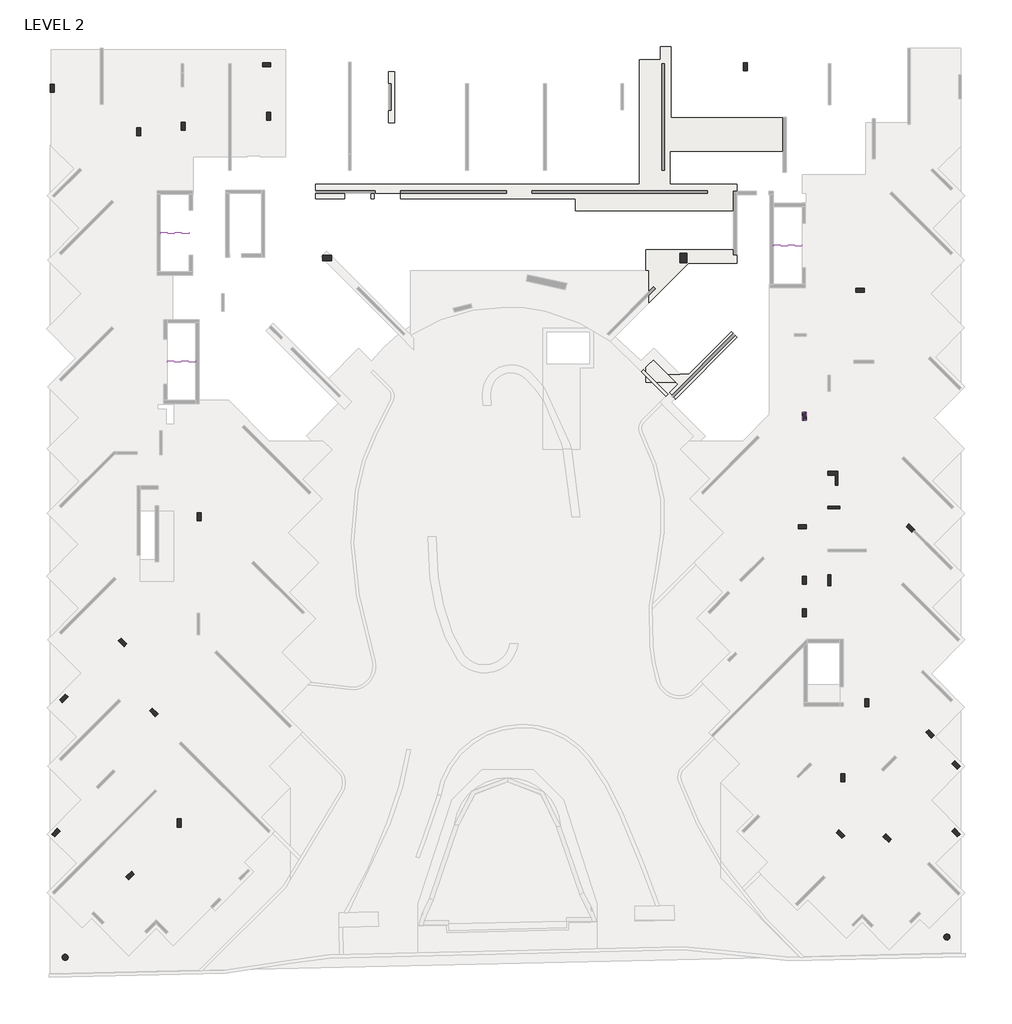
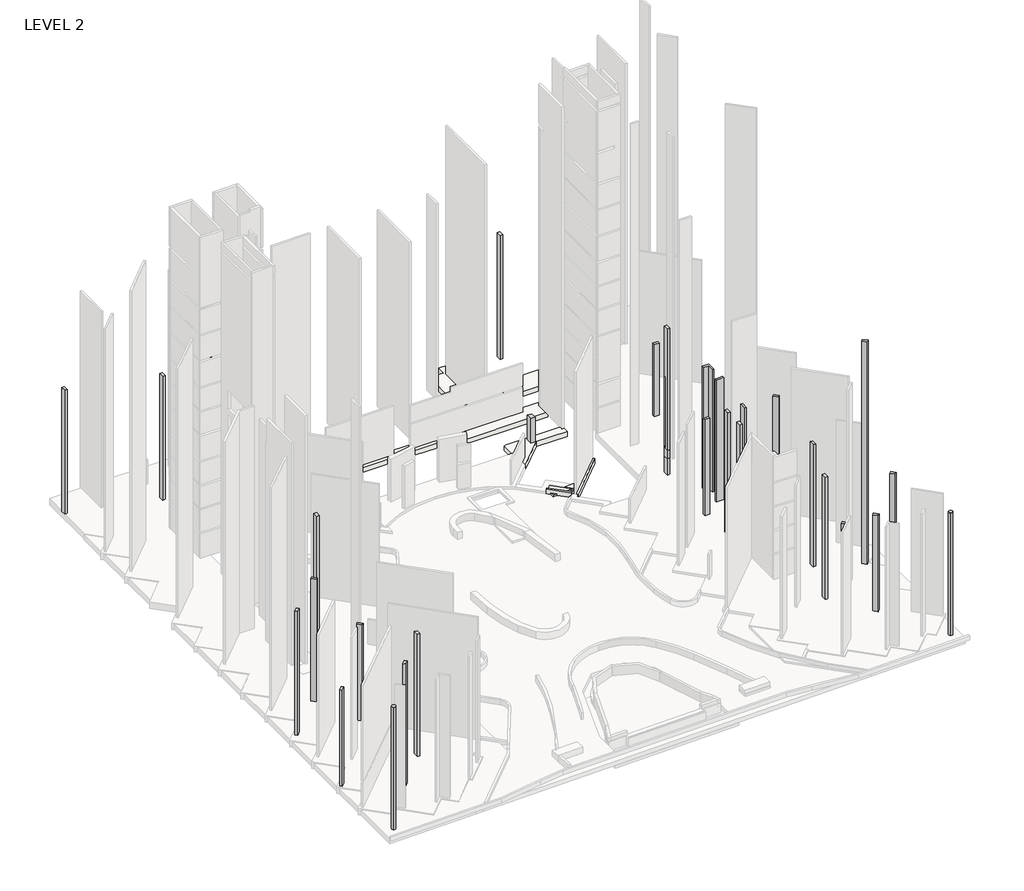
# One storey, part 9 of 9: 34 columns, 8 slabs, 3 beams.
"""IFC4 building model written with IfcOpenShell, lengths in millimetres."""

import ifcopenshell
import ifcopenshell.guid

model = None  # the IFC model being written
_history = None  # IfcOwnerHistory: only IFC2X3 demands one
_inside = {}  # id of a spatial element -> (the spatial element, [elements in it])
_under = {}  # id of a project, library or spatial element -> (it, [spatial elements below it])
_declared = {}  # id of a project -> (the project, [libraries it declares])
_typed = {}  # id of a type object -> (the type object, [elements of that type])
_made_of = {}  # id of a material, layer set ... -> (it, [elements and type objects made of it])


def new_model(schema):
    """Start an empty IFC model of exactly this schema.

    Asked for "IFC4X3", IfcOpenShell would pick the latest addendum, in which some entities
    have other attributes; the version numbers below select the first issue.
    IFC2X3 requires an IfcOwnerHistory on every rooted entity: one is made here for all.
    """
    global model, _history
    if schema == "IFC4X3":
        model = ifcopenshell.file(schema_version=(4, 3, 0, 0))
    else:
        model = ifcopenshell.file(schema=schema)
    _inside.clear()
    _under.clear()
    _declared.clear()
    _typed.clear()
    _made_of.clear()
    _history = None
    if model.schema == "IFC2X3":
        org = make("IfcOrganization", Name="unknown")
        user = make(
            "IfcPersonAndOrganization",
            ThePerson=make("IfcPerson", FamilyName="unknown"),
            TheOrganization=org,
        )
        app = make(
            "IfcApplication",
            ApplicationDeveloper=org,
            Version="unknown",
            ApplicationFullName="unknown",
            ApplicationIdentifier="unknown",
        )
        _history = make(
            "IfcOwnerHistory",
            OwningUser=user,
            OwningApplication=app,
            ChangeAction="ADDED",
            CreationDate=0,
        )
    return model


def make(cls, **values):
    """One entity of the class cls with the attributes given. An attribute that is None is left unset."""
    return model.create_entity(
        cls, **{name: value for name, value in values.items() if value is not None}
    )


def rooted(cls, **values):
    """An entity with a GlobalId (a new one), such as an element, a storey or a relation."""
    return make(cls, GlobalId=ifcopenshell.guid.new(), OwnerHistory=_history, **values)


def si_unit(unit_type, name, prefix=None):
    """IfcSIUnit, for example si_unit("LENGTHUNIT", "METRE", prefix="MILLI")."""
    return make("IfcSIUnit", UnitType=unit_type, Prefix=prefix, Name=name)


def assignment(units):
    """IfcUnitAssignment: the units of a project."""
    return None if units is None else make("IfcUnitAssignment", Units=units)


def point(xyz):
    """IfcCartesianPoint."""
    return None if xyz is None else make("IfcCartesianPoint", Coordinates=xyz)


def direction(xyz):
    """IfcDirection."""
    return None if xyz is None else make("IfcDirection", DirectionRatios=xyz)


def frame(location, z_axis=None, x_axis=None):
    """IfcAxis2Placement3D, a coordinate frame: its origin and axes. An axis left out is left unset."""
    return make(
        "IfcAxis2Placement3D",
        Location=point(location),
        Axis=direction(z_axis),
        RefDirection=direction(x_axis),
    )


def frame_2d(location, x_axis=None):
    """IfcAxis2Placement2D, a coordinate frame in the plane: its origin and x axis."""
    return make(
        "IfcAxis2Placement2D", Location=point(location), RefDirection=direction(x_axis)
    )


def origin():
    """The frame at (0, 0, 0) with its axes left unset."""
    return frame((0.0, 0.0, 0.0))


def place(relative_to, where):
    """IfcLocalPlacement: puts the frame where relative to a parent placement (None: the world)."""
    return make(
        "IfcLocalPlacement", PlacementRelTo=relative_to, RelativePlacement=where
    )


def context(
    kind, dimensions, precision=None, world=None, true_north=None, identifier=None
):
    """IfcGeometricRepresentationContext, for example the 3D "Model" context."""
    return make(
        "IfcGeometricRepresentationContext",
        ContextIdentifier=identifier,
        ContextType=kind,
        CoordinateSpaceDimension=dimensions,
        Precision=precision,
        WorldCoordinateSystem=world,
        TrueNorth=true_north,
    )


def project(units=None, contexts=None):
    """IfcProject with its units and contexts."""
    return rooted(
        "IfcProject",
        Name="project",
        RepresentationContexts=contexts,
        UnitsInContext=assignment(units),
    )


def spatial(cls, under=None, at=None, **own):
    """A site, building, storey or space (cls), placed at a placement, below another one or the project."""
    s = rooted(cls, ObjectPlacement=at, **own)
    if under is not None:
        _under.setdefault(under.id(), (under, []))[1].append(s)
    return s


def polyline(points):
    """IfcPolyline through the points."""
    return make("IfcPolyline", Points=[point(p) for p in points])


def circle_curve(where, radius):
    """IfcCircle in the frame where."""
    return make("IfcCircle", Position=where, Radius=radius)


def trimmed(basis, trim1, trim2, sense, master):
    """IfcTrimmedCurve: the piece of a basis curve between two trims."""
    return make(
        "IfcTrimmedCurve",
        BasisCurve=basis,
        Trim1=trim1,
        Trim2=trim2,
        SenseAgreement=sense,
        MasterRepresentation=master,
    )


def segment(curve, same_sense, transition):
    """IfcCompositeCurveSegment."""
    return make(
        "IfcCompositeCurveSegment",
        Transition=transition,
        SameSense=same_sense,
        ParentCurve=curve,
    )


def composite_curve(segments, self_intersect=None):
    """IfcCompositeCurve: segments joined end to end."""
    return make("IfcCompositeCurve", Segments=segments, SelfIntersect=self_intersect)


def outline(outer, holes=None, kind="AREA"):
    """IfcArbitraryClosedProfileDef: a profile drawn as a closed curve; with holes, ...WithVoids."""
    if holes is None:
        return make("IfcArbitraryClosedProfileDef", ProfileType=kind, OuterCurve=outer)
    return make(
        "IfcArbitraryProfileDefWithVoids",
        ProfileType=kind,
        OuterCurve=outer,
        InnerCurves=holes,
    )


def extrude(swept, where, along, depth):
    """IfcExtrudedAreaSolid: the profile swept, set in the frame where, extruded along a direction by depth."""
    return make(
        "IfcExtrudedAreaSolid",
        SweptArea=swept,
        Position=where,
        ExtrudedDirection=direction(along),
        Depth=depth,
    )


def faces_of(points, faces, orient=None, outer=None):
    """IfcFace entities. A face is a list of loops; a loop is a list of indices into points, from 0.

    orient and outer hold one flag for each loop. By default every Orientation is true, the
    first loop of a face is its IfcFaceOuterBound and the others are IfcFaceBound.
    """
    made = []
    for i, loops in enumerate(faces):
        bounds = []
        for j, loop in enumerate(loops):
            is_outer = j == 0 if outer is None else outer[i][j]
            bounds.append(
                make(
                    "IfcFaceOuterBound" if is_outer else "IfcFaceBound",
                    Bound=make("IfcPolyLoop", Polygon=[points[k] for k in loop]),
                    Orientation=True if orient is None else orient[i][j],
                )
            )
        made.append(make("IfcFace", Bounds=bounds))
    return made


def faceted_brep(points, faces, orient=None, outer=None, voids=None):
    """IfcFacetedBrep: a solid bounded by flat faces; with voids (closed shells), ...WithVoids."""
    shared = [point(p) for p in points]
    hull = make("IfcClosedShell", CfsFaces=faces_of(shared, faces, orient, outer))
    if voids is None:
        return make("IfcFacetedBrep", Outer=hull)
    return make(
        "IfcFacetedBrepWithVoids",
        Outer=hull,
        Voids=[
            make(cls, CfsFaces=faces_of(shared, fs, o, b)) for cls, fs, o, b in voids
        ],
    )


def shape(context_of_items, identifier, shape_type, items):
    """IfcShapeRepresentation: the items that make up one representation, for example the "Body"."""
    return make(
        "IfcShapeRepresentation",
        ContextOfItems=context_of_items,
        RepresentationIdentifier=identifier,
        RepresentationType=shape_type,
        Items=items,
    )


def source(mapping_origin, context_of_items, identifier, shape_type, items):
    """IfcRepresentationMap: a shape defined once, which mapped items show again and again."""
    return make(
        "IfcRepresentationMap",
        MappingOrigin=mapping_origin,
        MappedRepresentation=shape(context_of_items, identifier, shape_type, items),
    )


def transform(
    local_origin,
    x_axis=None,
    y_axis=None,
    z_axis=None,
    scale=None,
    scale2=None,
    scale3=None,
    uniform=True,
):
    """IfcCartesianTransformationOperator3D, or its non-uniform kind. x_axis, y_axis, z_axis: its Axis1, 2, 3."""
    if uniform:
        return make(
            "IfcCartesianTransformationOperator3D",
            Axis1=direction(x_axis),
            Axis2=direction(y_axis),
            LocalOrigin=point(local_origin),
            Scale=scale,
            Axis3=direction(z_axis),
        )
    return make(
        "IfcCartesianTransformationOperator3DnonUniform",
        Axis1=direction(x_axis),
        Axis2=direction(y_axis),
        LocalOrigin=point(local_origin),
        Scale=scale,
        Axis3=direction(z_axis),
        Scale2=scale2,
        Scale3=scale3,
    )


def mapped(mapping_source, mapping_target):
    """IfcMappedItem: shows the shape of a source again, moved by a transform."""
    return make(
        "IfcMappedItem", MappingSource=mapping_source, MappingTarget=mapping_target
    )


def made_of(thing, what):
    """Note that an element or type object is made of a material, layer set ...; save() writes the relation."""
    if what is not None:
        _made_of.setdefault(what.id(), (what, []))[1].append(thing)
    return thing


def element(
    cls,
    number,
    at=None,
    inside=None,
    cuts=None,
    type_object=None,
    material=None,
    context=None,
    identifier="Body",
    shape_type=None,
    held_by="IfcProductDefinitionShape",
    body=None,
    shapes=None,
    **own,
):
    """One element of the class cls, such as IfcWall. Its Tag is "e" and its number.

    at: its placement. inside: the storey or other place that contains it. cuts: it is an
    opening in that element (IfcRelVoidsElement). A single representation is given by context,
    identifier, shape_type and body (its items); several are given by shapes. held_by: the class
    of the entity that holds the representations. save() writes the other relations.
    """
    e = rooted(cls, Tag="e%d" % number, ObjectPlacement=at, **own)
    if body is not None:
        shapes = [shape(context, identifier, shape_type, body)]
    if shapes is not None:
        e.Representation = make(held_by, Representations=shapes)
    if inside is not None:
        _inside.setdefault(inside.id(), (inside, []))[1].append(e)
    if cuts is not None:
        rooted(
            "IfcRelVoidsElement", RelatingBuildingElement=cuts, RelatedOpeningElement=e
        )
    if type_object is not None:
        _typed.setdefault(type_object.id(), (type_object, []))[1].append(e)
    return made_of(e, material)


def aggregate(whole, parts):
    """IfcRelAggregates: a whole, such as a stair, and the parts it consists of."""
    return rooted("IfcRelAggregates", RelatingObject=whole, RelatedObjects=parts)


def save(model, path):
    """Write the relations noted so far, then the file.

    IfcRelAggregates (storeys below a building ...), IfcRelContainedInSpatialStructure (elements
    in a storey), IfcRelDefinesByType, IfcRelAssociatesMaterial and IfcRelDeclares: one each for
    every whole, place, type object, material and project.
    """
    for whole, parts in _under.values():
        aggregate(whole, parts)
    for where, things in _inside.values():
        rooted(
            "IfcRelContainedInSpatialStructure",
            RelatedElements=things,
            RelatingStructure=where,
        )
    for kind, things in _typed.values():
        rooted("IfcRelDefinesByType", RelatedObjects=things, RelatingType=kind)
    for what, things in _made_of.values():
        rooted("IfcRelAssociatesMaterial", RelatedObjects=things, RelatingMaterial=what)
    for by, libraries in _declared.values():
        rooted("IfcRelDeclares", RelatingContext=by, RelatedDefinitions=libraries)
    model.write(path)


def s200x27_005503ed(model_context):
    return source(origin(), model_context, "Body", "SweptSolid", [
        extrude(outline(composite_curve([segment(polyline([(51.0, -90.7), (51.0, -101.5), (-51.0, -101.5), (-51.0, -90.7), (-16.65, -90.7)]), True, "CONTINUOUS"), segment(trimmed(circle_curve(frame_2d((-16.65, -77.5)), 13.2), [point((-16.65, -90.7))], [point((-3.45, -77.5))], True, "CARTESIAN"), True, "CONTINUOUS"), segment(polyline([(-3.45, -77.5), (-3.45, 77.5)]), True, "CONTINUOUS"), segment(trimmed(circle_curve(frame_2d((-16.65, 77.5)), 13.2), [point((-3.45, 77.5))], [point((-16.65, 90.7))], True, "CARTESIAN"), True, "CONTINUOUS"), segment(polyline([(-16.65, 90.7), (-51.0, 90.7), (-51.0, 101.5), (51.0, 101.5), (51.0, 90.7), (16.65, 90.7)]), True, "CONTINUOUS"), segment(trimmed(circle_curve(frame_2d((16.65, 77.5)), 13.2), [point((16.65, 90.7))], [point((3.45, 77.5))], True, "CARTESIAN"), True, "CONTINUOUS"), segment(polyline([(3.45, 77.5), (3.45, -77.5)]), True, "CONTINUOUS"), segment(trimmed(circle_curve(frame_2d((16.65, -77.5)), 13.2), [point((3.45, -77.5))], [point((16.65, -90.7))], True, "CARTESIAN"), True, "CONTINUOUS"), segment(polyline([(16.65, -90.7), (51.0, -90.7)]), True, "CONTINUOUS")], self_intersect=False)), frame((-1067.0, 0.0, 0.0), z_axis=(1.0, 0.0, 0.0), x_axis=(0.0, 1.0, 0.0)), (0.0, 0.0, 1.0), 2134.0),
    ])


model = new_model("IFC4")

# Units and contexts
model_context = context("Model", 3, world=origin())
ifc_project = project(units=[si_unit("LENGTHUNIT", "METRE", prefix="MILLI")], contexts=[model_context])

# Site, building, storey
site = spatial("IfcSite", under=ifc_project)
building = spatial("IfcBuilding", under=site)
storey = spatial("IfcBuildingStorey", under=building, Name="LEVEL 2", Elevation=6400.0)

# Beams
placement = place(None, origin())
s200x27_shape = s200x27_005503ed(model_context)
element("IfcBeam", 1, ObjectType="S200X27", at=placement, inside=storey, context=model_context, shape_type="MappedRepresentation", body=[
    mapped(s200x27_shape, transform((232732.4721706, 203455.7152535, 9548.5), x_axis=(1.0, 0.0, 0.0), y_axis=(0.0, 1.0, 0.0), z_axis=(0.0, 0.0, 1.0))),
])
element("IfcBeam", 2, ObjectType="S200X27", at=placement, inside=storey, context=model_context, shape_type="MappedRepresentation", body=[
    mapped(s200x27_shape, transform((186781.1489205, 204400.6983002, 9548.5), x_axis=(1.0, 0.0, 0.0), y_axis=(0.0, 1.0, 0.0), z_axis=(0.0, 0.0, 1.0))),
])
element("IfcBeam", 3, ObjectType="S200X27", at=placement, inside=storey, context=model_context, shape_type="MappedRepresentation", body=[
    mapped(s200x27_shape, transform((187281.1489175, 194763.2322067, 9548.5), x_axis=(1.0, 0.0, 0.0), y_axis=(0.0, 1.0, 0.0), z_axis=(0.0, 0.0, 1.0))),
])

# Columns
element("IfcColumn", 4, ObjectType="Rectangular Column : CONCRETE COLUMN_300x600", at=placement, inside=storey, context=model_context, shape_type="SweptSolid", body=[
    extrude(outline(polyline([(234113.3270284, 190948.4382669), (234113.3270284, 190348.4382669), (233813.3270284, 190348.4382669), (233813.3270284, 190948.4382669), (234113.3270284, 190948.4382669)])), frame((0.0, 0.0, 8450.0), z_axis=(0.0, 0.0, 1.0), x_axis=(1.0, 0.0, 0.0)), (0.0, 0.0, 1.0), 1000.0),
])
element("IfcColumn", 5, ObjectType="SE_CONCRETE COLUMN_L-RECTANGULAR : L-740x1050", at=placement, inside=storey, context=model_context, shape_type="Brep", body=[
    faceted_brep([(236481.1491692, 186551.0798962, 6400.0), (236481.1491692, 185501.0798962, 6400.0), (236281.1491692, 185501.0798962, 6400.0), (236281.1491692, 186251.0798962, 6400.0), (235741.1491692, 186251.0798962, 6400.0), (235741.1491692, 186551.0798962, 6400.0), (236481.1491692, 185501.0798962, 21550.0), (236281.1491692, 185501.0798962, 21550.0), (236281.1491692, 185501.0798962, 21350.0), (236481.1491692, 185501.0798962, 21350.0), (236281.1491692, 186251.0798962, 21550.0), (235741.1491692, 186251.0798962, 21550.0), (236481.1491692, 186551.0798962, 21550.0), (236481.1491692, 186253.4575855, 21550.0), (235741.1491692, 186551.0798962, 21550.0)], [[[0, 1, 2, 3, 4, 5]], [[6, 7, 8, 2, 1, 9]], [[7, 10, 3, 2, 8]], [[10, 11, 4, 3]], [[12, 13, 6, 9, 1, 0]], [[11, 14, 5, 4]], [[14, 12, 0, 5]], [[12, 14, 11, 10, 7, 6, 13]]]),
])
element("IfcColumn", 6, ObjectType="SE_CONCRETE COLUMN_RECTANGULAR : 200x800", at=placement, inside=storey, context=model_context, shape_type="SweptSolid", body=[
    extrude(outline(polyline([(235948.3270284, 178771.0798962), (235948.3270284, 177971.0798962), (235748.3270284, 177971.0798962), (235748.3270284, 178771.0798962), (235948.3270284, 178771.0798962)])), frame((0.0, 0.0, 6400.0), z_axis=(0.0, 0.0, 1.0), x_axis=(1.0, 0.0, 0.0)), (0.0, 0.0, 1.0), 15150.0),
])
element("IfcColumn", 7, ObjectType="SE_CONCRETE COLUMN_RECTANGULAR : 200x900", at=placement, inside=storey, context=model_context, shape_type="Brep", body=[
    faceted_brep([(235728.3270284, 183936.0798962, 6400.0), (236628.3270284, 183936.0798962, 6400.0), (236628.3270284, 183736.0798962, 6400.0), (235728.3270284, 183736.0798962, 6400.0), (235728.3270284, 183936.0798962, 21550.0), (236281.1491692, 183936.0798962, 21550.0), (236481.1491692, 183936.0798962, 21550.0), (236628.3270284, 183936.0798962, 21550.0), (236628.3270284, 183736.0798962, 21550.0), (236481.1491692, 183736.0798962, 21550.0), (236281.1491692, 183736.0798962, 21550.0), (235728.3270284, 183736.0798962, 21550.0)], [[[0, 1, 2, 3]], [[4, 5, 6, 7, 1, 0]], [[7, 8, 2, 1]], [[8, 9, 10, 11, 3, 2]], [[11, 4, 0, 3]], [[4, 11, 10, 9, 8, 7, 6, 5]]]),
])
element("IfcColumn", 8, ObjectType="SE_CONCRETE COLUMN_RECTANGULAR : 300x600", at=placement, inside=storey, context=model_context, shape_type="SweptSolid", body=[
    extrude(outline(polyline([(193371.1491689, 217142.6487402), (193971.1491689, 217142.6487402), (193971.1491689, 216842.6487402), (193371.1491689, 216842.6487402), (193371.1491689, 217142.6487402)])), frame((0.0, 0.0, 6400.0), z_axis=(0.0, 0.0, 1.0), x_axis=(1.0, 0.0, 0.0)), (0.0, 0.0, 1.0), 15350.0),
])
element("IfcColumn", 9, ObjectType="SE_CONCRETE COLUMN_RECTANGULAR : 300x600", at=placement, inside=storey, context=model_context, shape_type="SweptSolid", body=[
    extrude(outline(polyline([(187279.7148824, 212090.1487656), (187279.7148824, 212690.1487656), (187579.7148824, 212690.1487656), (187579.7148824, 212090.1487656), (187279.7148824, 212090.1487656)])), frame((0.0, 0.0, 6400.0), z_axis=(0.0, 0.0, 1.0), x_axis=(1.0, 0.0, 0.0)), (0.0, 0.0, 1.0), 15350.0),
])
element("IfcColumn", 10, ObjectType="SE_CONCRETE COLUMN_RECTANGULAR : 300x600", at=placement, inside=storey, context=model_context, shape_type="SweptSolid", body=[
    extrude(outline(polyline([(183916.1491689, 211670.1487656), (183916.1491689, 212270.1487656), (184216.1491689, 212270.1487656), (184216.1491689, 211670.1487656), (183916.1491689, 211670.1487656)])), frame((0.0, 0.0, 6400.0), z_axis=(0.0, 0.0, 1.0), x_axis=(1.0, 0.0, 0.0)), (0.0, 0.0, 1.0), 15150.0),
])
element("IfcColumn", 11, ObjectType="SE_CONCRETE COLUMN_RECTANGULAR : 300x600", at=placement, inside=storey, context=model_context, shape_type="SweptSolid", body=[
    extrude(outline(polyline([(193681.1491689, 212852.6487656), (193681.1491689, 213452.6487656), (193981.1491689, 213452.6487656), (193981.1491689, 212852.6487656), (193681.1491689, 212852.6487656)])), frame((0.0, 0.0, 6400.0), z_axis=(0.0, 0.0, 1.0), x_axis=(1.0, 0.0, 0.0)), (0.0, 0.0, 1.0), 15350.0),
])
element("IfcColumn", 12, ObjectType="SE_CONCRETE COLUMN_RECTANGULAR : 300x600", at=placement, inside=storey, context=model_context, shape_type="SweptSolid", body=[
    extrude(outline(polyline([(229385.5971201, 216542.6490083), (229385.5971201, 217142.6490083), (229685.5971201, 217142.6490083), (229685.5971201, 216542.6490083), (229385.5971201, 216542.6490083)])), frame((0.0, 0.0, 6400.0), z_axis=(0.0, 0.0, 1.0), x_axis=(1.0, 0.0, 0.0)), (0.0, 0.0, 1.0), 15350.0),
])
element("IfcColumn", 13, ObjectType="SE_CONCRETE COLUMN_RECTANGULAR : 300x600", at=placement, inside=storey, context=model_context, shape_type="SweptSolid", body=[
    extrude(outline(polyline([(238447.1020707, 199952.6490054), (237847.1020707, 199952.6490054), (237847.1020707, 200252.6490054), (238447.1020707, 200252.6490054), (238447.1020707, 199952.6490054)])), frame((0.0, 0.0, 6400.0), z_axis=(0.0, 0.0, 1.0), x_axis=(1.0, 0.0, 0.0)), (0.0, 0.0, 1.0), 8950.0),
])
element("IfcColumn", 14, ObjectType="SE_CONCRETE COLUMN_RECTANGULAR : 300x600", at=placement, inside=storey, context=model_context, shape_type="Brep", body=[
    faceted_brep([(234113.3270284, 190948.4382669, 6400.0), (234113.3270284, 190348.4382669, 6400.0), (233813.3270284, 190348.4382669, 6400.0), (233813.3270284, 190948.4382669, 6400.0), (234113.3270284, 190948.4382669, 24500.0), (234113.3270284, 190348.4382669, 24500.0), (233813.3270284, 190348.4382669, 24500.0), (233813.3270284, 190948.4382669, 24500.0), (233813.3270284, 190746.4382669, 18300.0), (233813.3270284, 190746.4382669, 9650.0), (233813.3270284, 190946.4382669, 9650.0), (233813.3270284, 190946.4382669, 18300.0), (234003.3270284, 190746.4382669, 18300.0), (234003.3270284, 190746.4382669, 9650.0), (234003.3270284, 190946.4382669, 9650.0), (234003.3270284, 190946.4382669, 18300.0)], [[[0, 1, 2, 3]], [[1, 0, 4, 5]], [[2, 1, 5, 6]], [[3, 2, 6, 7], [8, 9, 10, 11]], [[0, 3, 7, 4]], [[5, 4, 7, 6]], [[12, 13, 9, 8]], [[14, 15, 11, 10]], [[13, 14, 10, 9]], [[13, 12, 15, 14]], [[15, 12, 8, 11]]]),
])
element("IfcColumn", 15, ObjectType="SE_CONCRETE COLUMN_RECTANGULAR : 300x600", at=placement, inside=storey, context=model_context, shape_type="SweptSolid", body=[
    extrude(outline(polyline([(234113.3270284, 182229.584163), (233513.3270284, 182229.584163), (233513.3270284, 182529.584163), (234113.3270284, 182529.584163), (234113.3270284, 182229.584163)])), frame((0.0, 0.0, 6400.0), z_axis=(0.0, 0.0, 1.0), x_axis=(1.0, 0.0, 0.0)), (0.0, 0.0, 1.0), 11900.0),
])
element("IfcColumn", 16, ObjectType="SE_CONCRETE COLUMN_RECTANGULAR : 300x600", at=placement, inside=storey, context=model_context, shape_type="Brep", body=[
    faceted_brep([(241806.2633769, 182600.9265849, 6400.0), (242230.5274456, 182176.6625162, 6400.0), (242229.1073069, 182175.2423775, 6400.0), (242087.6859506, 182033.8210212, 6400.0), (242018.3954112, 181964.5304818, 6400.0), (241594.1313425, 182388.7945505, 6400.0), (241806.2633769, 182600.9265849, 18300.0), (242230.5274456, 182176.6625162, 18300.0), (242018.3954112, 181964.5304818, 18300.0), (241594.1313425, 182388.7945505, 18300.0)], [[[0, 1, 2, 3, 4, 5]], [[1, 0, 6, 7]], [[1, 7, 8, 4, 3, 2]], [[5, 4, 8, 9]], [[0, 5, 9, 6]], [[7, 6, 9, 8]]]),
])
element("IfcColumn", 17, ObjectType="SE_CONCRETE COLUMN_RECTANGULAR : 300x600", at=placement, inside=storey, context=model_context, shape_type="SweptSolid", body=[
    extrude(outline(polyline([(238808.4739802, 169505.4478928), (238808.4739802, 168905.4478928), (238508.4739802, 168905.4478928), (238508.4739802, 169505.4478928), (238808.4739802, 169505.4478928)])), frame((0.0, 0.0, 6400.0), z_axis=(0.0, 0.0, 1.0), x_axis=(1.0, 0.0, 0.0)), (0.0, 0.0, 1.0), 15150.0),
])
element("IfcColumn", 18, ObjectType="SE_CONCRETE COLUMN_RECTANGULAR : 300x600", at=placement, inside=storey, context=model_context, shape_type="SweptSolid", body=[
    extrude(outline(polyline([(234112.9546401, 176246.2499493), (234112.9546401, 175646.2499493), (233812.9546401, 175646.2499493), (233812.9546401, 176246.2499493), (234112.9546401, 176246.2499493)])), frame((0.0, 0.0, 6400.0), z_axis=(0.0, 0.0, 1.0), x_axis=(1.0, 0.0, 0.0)), (0.0, 0.0, 1.0), 15150.0),
])
element("IfcColumn", 19, ObjectType="SE_CONCRETE COLUMN_RECTANGULAR : 300x600", at=placement, inside=storey, context=model_context, shape_type="SweptSolid", body=[
    extrude(outline(polyline([(236998.4739802, 163885.929613), (236998.4739802, 163285.929613), (236698.4739802, 163285.929613), (236698.4739802, 163885.929613), (236998.4739802, 163885.929613)])), frame((0.0, 0.0, 6400.0), z_axis=(0.0, 0.0, 1.0), x_axis=(1.0, 0.0, 0.0)), (0.0, 0.0, 1.0), 15150.0),
])
element("IfcColumn", 20, ObjectType="SE_CONCRETE COLUMN_RECTANGULAR : 300x600", at=placement, inside=storey, context=model_context, shape_type="SweptSolid", body=[
    extrude(outline(polyline([(236565.3727333, 159671.8785185), (236989.6368021, 159247.6144498), (236777.5047677, 159035.4824154), (236353.240699, 159459.7464841), (236565.3727333, 159671.8785185)])), frame((0.0, 0.0, 6400.0), z_axis=(0.0, 0.0, 1.0), x_axis=(1.0, 0.0, 0.0)), (0.0, 0.0, 1.0), 11900.0),
])
element("IfcColumn", 21, ObjectType="SE_CONCRETE COLUMN_RECTANGULAR : 300x600", at=placement, inside=storey, context=model_context, shape_type="SweptSolid", body=[
    extrude(outline(polyline([(243290.5721084, 167190.4700765), (243714.8361771, 166766.2060078), (243502.7041428, 166554.0739734), (243078.440074, 166978.3380422), (243290.5721084, 167190.4700765)])), frame((0.0, 0.0, 6400.0), z_axis=(0.0, 0.0, 1.0), x_axis=(1.0, 0.0, 0.0)), (0.0, 0.0, 1.0), 27550.0),
])
element("IfcColumn", 22, ObjectType="SE_CONCRETE COLUMN_RECTANGULAR : 300x600", at=placement, inside=storey, context=model_context, shape_type="SweptSolid", body=[
    extrude(outline(polyline([(245238.899917, 164853.6696519), (245663.1639857, 164429.4055832), (245451.0319514, 164217.2735488), (245026.7678827, 164641.5376175), (245238.899917, 164853.6696519)])), frame((0.0, 0.0, 6400.0), z_axis=(0.0, 0.0, 1.0), x_axis=(1.0, 0.0, 0.0)), (0.0, 0.0, 1.0), 11900.0),
])
element("IfcColumn", 23, ObjectType="SE_CONCRETE COLUMN_RECTANGULAR : 300x600", at=placement, inside=storey, context=model_context, shape_type="SweptSolid", body=[
    extrude(outline(polyline([(245238.8999149, 159790.7851007), (245663.1639836, 159366.521032), (245451.0319492, 159154.3889976), (245026.7678805, 159578.6530663), (245238.8999149, 159790.7851007)])), frame((0.0, 0.0, 6400.0), z_axis=(0.0, 0.0, 1.0), x_axis=(1.0, 0.0, 0.0)), (0.0, 0.0, 1.0), 11900.0),
])
element("IfcColumn", 24, ObjectType="SE_CONCRETE COLUMN_RECTANGULAR : 300x600", at=placement, inside=storey, context=model_context, shape_type="SweptSolid", body=[
    extrude(outline(polyline([(240076.5097672, 159381.6278765), (240500.773836, 158957.3638078), (240288.6418016, 158745.2317734), (239864.3777329, 159169.4958421), (240076.5097672, 159381.6278765)])), frame((0.0, 0.0, 6400.0), z_axis=(0.0, 0.0, 1.0), x_axis=(1.0, 0.0, 0.0)), (0.0, 0.0, 1.0), 11900.0),
])
element("IfcColumn", 25, ObjectType="SE_CONCRETE COLUMN_RECTANGULAR : 300x600", at=placement, inside=storey, context=model_context, shape_type="SweptSolid", body=[
    extrude(outline(polyline([(188761.1489175, 183432.5796768), (188761.1489175, 182832.5796768), (188461.1489175, 182832.5796768), (188461.1489175, 183432.5796768), (188761.1489175, 183432.5796768)])), frame((0.0, 0.0, 6400.0), z_axis=(0.0, 0.0, 1.0), x_axis=(1.0, 0.0, 0.0)), (0.0, 0.0, 1.0), 15350.0),
])
element("IfcColumn", 26, ObjectType="SE_CONCRETE COLUMN_RECTANGULAR : 300x600", at=placement, inside=storey, context=model_context, shape_type="SweptSolid", body=[
    extrude(outline(polyline([(182769.9519183, 174049.5776809), (183194.215987, 173625.3136122), (182982.0839527, 173413.1815778), (182557.819884, 173837.4456465), (182769.9519183, 174049.5776809)])), frame((0.0, 0.0, 6400.0), z_axis=(0.0, 0.0, 1.0), x_axis=(1.0, 0.0, 0.0)), (0.0, 0.0, 1.0), 15150.0),
])
element("IfcColumn", 27, ObjectType="SE_CONCRETE COLUMN_RECTANGULAR : 300x600", at=placement, inside=storey, context=model_context, shape_type="SweptSolid", body=[
    extrude(outline(polyline([(185105.7608019, 168796.0499557), (185530.0248706, 168371.785887), (185317.8928362, 168159.6538527), (184893.6287675, 168583.9179214), (185105.7608019, 168796.0499557)])), frame((0.0, 0.0, 6400.0), z_axis=(0.0, 0.0, 1.0), x_axis=(1.0, 0.0, 0.0)), (0.0, 0.0, 1.0), 11900.0),
])
element("IfcColumn", 28, ObjectType="SE_CONCRETE COLUMN_RECTANGULAR : 300x600", at=placement, inside=storey, context=model_context, shape_type="SweptSolid", body=[
    extrude(outline(polyline([(178147.6163764, 169427.242139), (178571.8804451, 169851.5062077), (178784.0124795, 169639.3741733), (178359.7484108, 169215.1101046), (178147.6163764, 169427.242139)])), frame((0.0, 0.0, 6400.0), z_axis=(0.0, 0.0, 1.0), x_axis=(1.0, 0.0, 0.0)), (0.0, 0.0, 1.0), 15350.0),
])
element("IfcColumn", 29, ObjectType="SE_CONCRETE COLUMN_RECTANGULAR : 300x600", at=placement, inside=storey, context=model_context, shape_type="SweptSolid", body=[
    extrude(outline(polyline([(177562.1202125, 159366.5269568), (177986.3842813, 159790.7910255), (178198.5163156, 159578.6589911), (177774.2522469, 159154.3949224), (177562.1202125, 159366.5269568)])), frame((0.0, 0.0, 6400.0), z_axis=(0.0, 0.0, 1.0), x_axis=(1.0, 0.0, 0.0)), (0.0, 0.0, 1.0), 11900.0),
])
element("IfcColumn", 30, ObjectType="SE_CONCRETE COLUMN_RECTANGULAR : 300x600", at=placement, inside=storey, context=model_context, shape_type="SweptSolid", body=[
    extrude(outline(polyline([(183119.8310901, 156149.3908762), (183544.0951588, 156573.6549449), (183756.2271932, 156361.5229105), (183331.9631244, 155937.2588418), (183119.8310901, 156149.3908762)])), frame((0.0, 0.0, 6400.0), z_axis=(0.0, 0.0, 1.0), x_axis=(1.0, 0.0, 0.0)), (0.0, 0.0, 1.0), 15150.0),
])
element("IfcColumn", 31, ObjectType="SE_CONCRETE COLUMN_RECTANGULAR : 300x600", at=placement, inside=storey, context=model_context, shape_type="SweptSolid", body=[
    extrude(outline(polyline([(187281.6243847, 160492.1283991), (187281.6243847, 159892.1283991), (186981.6243847, 159892.1283991), (186981.6243847, 160492.1283991), (187281.6243847, 160492.1283991)])), frame((0.0, 0.0, 6400.0), z_axis=(0.0, 0.0, 1.0), x_axis=(1.0, 0.0, 0.0)), (0.0, 0.0, 1.0), 15150.0),
])
element("IfcColumn", 32, ObjectType="SE_CONCRETE COLUMN_RECTANGULAR : 300x600", at=placement, inside=storey, context=model_context, shape_type="SweptSolid", body=[
    extrude(outline(polyline([(177462.7148824, 214925.1490053), (177462.7148824, 215525.1490053), (177762.7148824, 215525.1490053), (177762.7148824, 214925.1490053), (177462.7148824, 214925.1490053)])), frame((0.0, 0.0, 6400.0), z_axis=(0.0, 0.0, 1.0), x_axis=(1.0, 0.0, 0.0)), (0.0, 0.0, 1.0), 15350.0),
])
element("IfcColumn", 33, ObjectType="SE_CONCRETE COLUMN_RECTANGULAR : 300x600", at=placement, inside=storey, context=model_context, shape_type="SweptSolid", body=[
    extrude(outline(polyline([(234113.3270284, 178671.0798962), (234113.3270284, 178071.0798962), (233813.3270284, 178071.0798962), (233813.3270284, 178671.0798962), (234113.3270284, 178671.0798962)])), frame((0.0, 0.0, 6400.0), z_axis=(0.0, 0.0, 1.0), x_axis=(1.0, 0.0, 0.0)), (0.0, 0.0, 1.0), 15150.0),
])
element("IfcColumn", 34, ObjectType="SE_CONCRETE COLUMN_RECTANGULAR : 400x700", at=placement, inside=storey, context=model_context, shape_type="SweptSolid", body=[
    extrude(outline(polyline([(197855.12014, 202718.1983002), (198555.12014, 202718.1983002), (198555.12014, 202318.1983002), (197855.12014, 202318.1983002), (197855.12014, 202718.1983002)])), frame((0.0, 0.0, 6400.0), z_axis=(0.0, 0.0, 1.0), x_axis=(1.0, 0.0, 0.0)), (0.0, 0.0, 1.0), 3050.0),
])
element("IfcColumn", 35, ObjectType="SE_CONCRETE COLUMN_RECTANGULAR : 500x700", at=placement, inside=storey, context=model_context, shape_type="SweptSolid", body=[
    extrude(outline(polyline([(224658.0475667, 202159.1009851), (224658.0475667, 202859.1009851), (225158.0475667, 202859.1009851), (225158.0475667, 202159.1009851), (224658.0475667, 202159.1009851)])), frame((0.0, 0.0, 6400.0), z_axis=(0.0, 0.0, 1.0), x_axis=(1.0, 0.0, 0.0)), (0.0, 0.0, 1.0), 3050.0),
])
element("IfcColumn", 36, ObjectType="SE_CONCRETE COLUMN_ROUND", at=placement, inside=storey, context=model_context, shape_type="SweptSolid", body=[
    extrude(outline(composite_curve([segment(trimmed(circle_curve(frame_2d((244657.513891, 151652.0884149)), 225.0), [point((244498.4148653, 151492.9893891))], [point((244816.6129168, 151811.1874407))], False, "CARTESIAN"), True, "CONTINUOUS"), segment(trimmed(circle_curve(frame_2d((244657.513891, 151652.0884149)), 225.0), [point((244816.6129168, 151811.1874407))], [point((244498.4148653, 151492.9893891))], False, "CARTESIAN"), True, "CONTINUOUS")], self_intersect=False)), frame((0.0, 0.0, 6400.0), z_axis=(0.0, 0.0, 1.0), x_axis=(1.0, 0.0, 0.0)), (0.0, 0.0, 1.0), 15150.0),
])
element("IfcColumn", 37, ObjectType="SE_CONCRETE COLUMN_ROUND", at=placement, inside=storey, context=model_context, shape_type="SweptSolid", body=[
    extrude(outline(composite_curve([segment(trimmed(circle_curve(frame_2d((178567.7150949, 150125.7044674)), 225.0), [point((178408.6160691, 149966.6054416))], [point((178726.8141206, 150284.8034932))], False, "CARTESIAN"), True, "CONTINUOUS"), segment(trimmed(circle_curve(frame_2d((178567.7150949, 150125.7044674)), 225.0), [point((178726.8141206, 150284.8034932))], [point((178408.6160691, 149966.6054416))], False, "CARTESIAN"), True, "CONTINUOUS")], self_intersect=False)), frame((0.0, 0.0, 6400.0), z_axis=(0.0, 0.0, 1.0), x_axis=(1.0, 0.0, 0.0)), (0.0, 0.0, 1.0), 15150.0),
])

# Slabs
element("IfcSlab", 38, ObjectType="600 TRANSFER SLAB", at=placement, inside=storey, context=model_context, shape_type="SweptSolid", body=[
    extrude(outline(polyline([(202803.192598, 216463.2318341), (203253.192598, 216463.2318341), (203253.192598, 212663.2318341), (202803.192598, 212663.2318341), (202803.192598, 216463.2318341)])), frame((0.0, 0.0, 5800.0), z_axis=(0.0, 0.0, 1.0), x_axis=(1.0, 0.0, 0.0)), (0.0, 0.0, 1.0), 600.0),
])
element("IfcSlab", 39, ObjectType="600 TRANSFER SLAB", at=placement, inside=storey, context=model_context, shape_type="Brep", body=[
    faceted_brep([(197324.4437068, 206953.1983002, 5800.0), (197324.4437068, 208053.1983002, 5800.0), (204437.7148824, 208053.1983002, 5800.0), (204687.7148824, 208053.1983002, 5800.0), (214385.5689775, 208053.1983002, 5800.0), (214685.5689775, 208053.1983002, 5800.0), (221596.1491692, 208053.1983002, 5800.0), (221596.1491692, 217357.6490083, 5800.0), (223177.0132356, 217357.6490083, 5800.0), (223177.0132356, 218357.6490083, 5800.0), (223982.0250868, 218357.6490083, 5800.0), (223982.0250868, 213040.4318341, 5800.0), (232375.5971201, 213040.4318341, 5800.0), (232625.5971201, 213040.4318341, 5800.0), (232625.5971201, 210524.8725072, 5800.0), (232375.5971201, 210524.8725072, 5800.0), (223877.0132356, 210524.8725072, 5800.0), (223877.0132356, 208053.1983002, 5800.0), (228911.1491692, 208053.1983002, 5800.0), (228911.1491692, 207553.1983002, 5800.0), (228911.1491692, 206063.2322067, 5800.0), (228661.5721706, 206063.2322067, 5800.0), (216821.1491692, 206063.2322067, 5800.0), (216821.1491692, 206953.1983002, 5800.0), (214685.5689775, 206953.1983002, 5800.0), (214385.5689775, 206953.1983002, 5800.0), (204687.7148824, 206953.1983002, 5800.0), (204437.7148824, 206953.1983002, 5800.0), (203710.9495051, 206953.1983002, 5800.0), (203710.9495051, 207353.1983002, 5800.0), (201710.9495051, 207353.1983002, 5800.0), (201710.9495051, 206953.1983002, 5800.0), (201507.6410379, 206953.1983002, 5800.0), (201507.6410379, 207353.1983002, 5800.0), (199507.6410379, 207353.1983002, 5800.0), (199507.6410379, 206953.1983002, 5800.0), (197324.4437068, 208053.1983002, 6400.0), (197324.4437068, 206953.1983002, 6400.0), (199507.6410379, 206953.1983002, 6400.0), (199507.6410379, 207353.1983002, 6400.0), (201507.6410379, 207353.1983002, 6400.0), (201507.6410379, 206953.1983002, 6400.0), (201710.9495051, 206953.1983002, 6400.0), (201710.9495051, 207353.1983002, 6400.0), (203710.9495051, 207353.1983002, 6400.0), (203710.9495051, 206953.1983002, 6400.0), (216821.1491692, 206953.1983002, 6400.0), (216821.1491692, 206063.2322067, 6400.0), (228911.1491692, 206063.2322067, 6400.0), (228911.1491692, 208053.1983002, 6400.0), (223877.0132356, 208053.1983002, 6400.0), (223877.0132356, 210524.8725072, 6400.0), (232625.5971201, 210524.8725072, 6400.0), (232625.5971201, 213040.4318341, 6400.0), (223982.0250868, 213040.4318341, 6400.0), (223982.0250868, 218357.6490083, 6400.0), (223177.0132356, 218357.6490083, 6400.0), (223177.0132356, 217357.6490083, 6400.0), (221596.1491692, 217357.6490083, 6400.0), (221596.1491692, 208053.1983002, 6400.0), (199507.6410379, 206953.1983002, 6200.0), (197324.4437068, 206953.1983002, 6200.0), (201710.9495051, 206953.1983002, 6200.0), (201507.6410379, 206953.1983002, 6200.0), (216821.1491692, 206953.1983002, 6200.0), (203710.9495051, 206953.1983002, 6200.0), (197324.4437068, 208053.1983002, 6200.0), (223877.0132356, 208053.1983002, 6200.0), (228911.1491692, 208053.1983002, 6200.0), (228911.1491692, 206063.2322067, 6200.0), (216821.1491692, 206063.2322067, 6200.0), (221596.1491692, 208053.1983002, 6200.0), (221596.1491692, 217357.6490083, 6200.0), (223982.0250868, 218357.6490083, 6200.0), (223982.0250868, 213040.4318341, 6200.0), (232625.5971201, 213040.4318341, 6200.0), (232625.5971201, 210524.8725072, 6200.0), (223877.0132356, 210524.8725072, 6200.0)], [[[0, 1, 2, 3, 4, 5, 6, 7, 8, 9, 10, 11, 12, 13, 14, 15, 16, 17, 18, 19, 20, 21, 22, 23, 24, 25, 26, 27, 28, 29, 30, 31, 32, 33, 34, 35]], [[36, 37, 38, 39, 40, 41, 42, 43, 44, 45, 46, 47, 48, 49, 50, 51, 52, 53, 54, 55, 56, 57, 58, 59]], [[0, 35, 60, 38, 37, 61]], [[32, 31, 62, 42, 41, 63]], [[28, 27, 26, 25, 24, 23, 64, 46, 45, 65]], [[1, 0, 61, 37, 36, 66]], [[18, 17, 67, 50, 49, 68]], [[20, 19, 18, 68, 49, 48, 69]], [[22, 21, 20, 69, 48, 47, 70]], [[23, 22, 70, 47, 46, 64]], [[6, 5, 4, 3, 2, 1, 66, 36, 59, 71]], [[7, 6, 71, 59, 58, 72]], [[8, 7, 72, 58, 57]], [[9, 8, 57, 56]], [[10, 9, 56, 55, 73]], [[11, 10, 73, 55, 54, 74]], [[13, 12, 11, 74, 54, 53, 75]], [[14, 13, 75, 53, 52, 76]], [[16, 15, 14, 76, 52, 51, 77]], [[17, 16, 77, 51, 50, 67]], [[40, 33, 32, 63, 41]], [[33, 40, 39, 34]], [[34, 39, 38, 60, 35]], [[44, 29, 28, 65, 45]], [[29, 44, 43, 30]], [[30, 43, 42, 62, 31]]]),
])
element("IfcSlab", 40, ObjectType="600 TRANSFER SLAB", at=placement, inside=storey, context=model_context, shape_type="Brep", body=[
    faceted_brep([(228929.9419966, 196581.4928083, 5800.0), (224300.8485823, 191952.399394, 5800.0), (224272.5545476, 191980.6934287, 5800.0), (223848.2904789, 192404.9574974, 5800.0), (224495.0886918, 193051.7557103, 5800.0), (224334.1950241, 193212.649378, 5800.0), (223734.1950241, 193812.649378, 5800.0), (224647.8739987, 193812.649378, 5800.0), (225312.5704288, 193812.649378, 5800.0), (228505.6779278, 197005.756877, 5800.0), (224300.8485823, 191952.399394, 6400.0), (228929.9419966, 196581.4928083, 6400.0), (228505.6779278, 197005.756877, 6400.0), (225312.5704288, 193812.649378, 6400.0), (224647.8739987, 193812.649378, 6400.0), (223734.1950241, 193812.649378, 6400.0), (224495.0886918, 193051.7557103, 6400.0), (223848.2904789, 192404.9574974, 6400.0), (224272.5545476, 191980.6934287, 6400.0), (228929.9419966, 196581.4928083, 6200.0), (224300.8485823, 191952.399394, 6200.0), (223848.2904789, 192404.9574974, 6200.0), (223848.2904789, 192404.9574974, 6100.0), (224495.0886918, 193051.7557103, 6100.0), (223734.1950241, 193812.649378, 6200.0), (225312.5704288, 193812.649378, 6200.0), (228505.6779278, 197005.756877, 6200.0)], [[[0, 1, 2, 3, 4, 5, 6, 7, 8, 9]], [[10, 11, 12, 13, 14, 15, 16, 17, 18]], [[1, 0, 19, 11, 10, 20]], [[3, 2, 1, 20, 10, 18, 17, 21, 22]], [[4, 3, 22, 21, 17, 16, 23]], [[6, 5, 4, 23, 16, 15, 24]], [[8, 7, 6, 24, 15, 14, 13, 25]], [[9, 8, 25, 13, 12, 26]], [[0, 9, 26, 12, 11, 19]]]),
])
element("IfcSlab", 41, ObjectType="600 TRANSFER SLAB", at=placement, inside=storey, context=model_context, shape_type="Brep", body=[
    faceted_brep([(222096.1491692, 203124.0560378, 5800.0), (222296.1491692, 203124.0560378, 5800.0), (228911.1491692, 203124.0560378, 5800.0), (228911.1491692, 202124.0560378, 5800.0), (225280.1170706, 202124.0560378, 5800.0), (222296.1491692, 199140.0881364, 5800.0), (222296.1491692, 201563.2322067, 5800.0), (222096.1491692, 201563.2322067, 5800.0), (228911.1491692, 203124.0560378, 6400.0), (228661.1491692, 203124.0560378, 6400.0), (222296.1491692, 203124.0560378, 6400.0), (222096.1491692, 203124.0560378, 6400.0), (222096.1491692, 201563.2322067, 6400.0), (222296.1491692, 201563.2322067, 6400.0), (222296.1491692, 199140.0881364, 6400.0), (225280.1170706, 202124.0560378, 6400.0), (228911.1491692, 202124.0560378, 6400.0), (228911.1491692, 202773.216984, 6400.0), (222096.1491692, 203124.0560378, 6200.0), (228911.1491692, 202124.0560378, 6200.0), (222096.1491692, 201563.2322067, 6200.0), (225280.1170706, 202124.0560378, 6200.0)], [[[0, 1, 2, 3, 4, 5, 6, 7]], [[8, 9, 10, 11, 12, 13, 14, 15, 16, 17]], [[2, 1, 0, 18, 11, 10, 9, 8]], [[3, 2, 8, 17, 16, 19]], [[11, 18, 0, 7, 20, 12]], [[4, 3, 19, 16, 15, 21]], [[4, 21, 15, 14, 5]], [[6, 13, 12, 20, 7]], [[13, 6, 5, 14]]]),
])
element("IfcSlab", 42, ObjectType="700 TRANSFER SLAB", at=placement, inside=storey, context=model_context, shape_type="Brep", body=[
    faceted_brep([(224791.0345114, 193669.4888652, 5600.0), (224634.1950241, 193512.649378, 5600.0), (224334.1950241, 193212.649378, 5600.0), (222096.1491692, 193212.649378, 5600.0), (222096.1491692, 194369.4652705, 5600.0), (222656.7975037, 194890.0468984, 5600.0), (223734.1950241, 193812.649378, 5600.0), (224647.8739987, 193812.649378, 5600.0), (222656.7975037, 194890.0468984, 6300.0), (222096.1491692, 194369.4652705, 6300.0), (222096.1491692, 193960.2450608, 6300.0), (222843.744852, 193212.649378, 6300.0), (224334.1950241, 193212.649378, 6300.0), (222096.1491692, 193212.649378, 6300.0), (222560.9021396, 193212.649378, 6300.0), (222096.1491692, 193677.4023483, 6300.0), (224791.0345114, 193669.4888652, 5800.0), (224334.1950241, 193212.649378, 5800.0), (224334.1950241, 193212.649378, 6100.0), (222843.744852, 193212.649378, 6100.0), (222560.9021396, 193212.649378, 6100.0), (222096.1491692, 193212.649378, 6100.0), (222096.1491692, 193677.4023483, 6100.0), (222096.1491692, 193960.2450608, 6100.0), (223734.1950241, 193812.649378, 5800.0), (224647.8739987, 193812.649378, 5800.0)], [[[0, 1, 2, 3, 4, 5, 6, 7]], [[8, 9, 10, 11, 12]], [[13, 14, 15]], [[2, 1, 0, 16, 17]], [[3, 2, 17, 18, 12, 11, 19, 20, 14, 13, 21]], [[3, 21, 13, 15, 22, 23, 10, 9, 4]], [[24, 17, 16, 25]], [[17, 24, 6, 5, 8, 12, 18]], [[16, 0, 7, 25]], [[6, 24, 25, 7]], [[8, 5, 4, 9]], [[19, 23, 22, 20]], [[20, 22, 15, 14]], [[23, 19, 11, 10]]]),
])
element("IfcSlab", 43, ObjectType="F2A - 600mm Concrete Curb", at=placement, inside=storey, context=model_context, shape_type="Brep", body=[
    faceted_brep([(223608.4422495, 192165.109268, 6100.0), (222560.9021396, 193212.649378, 6100.0), (222096.1491692, 193677.4023483, 6100.0), (221770.1510614, 194003.4004561, 6100.0), (221911.5724176, 194144.8218123, 6100.0), (222096.1491692, 193960.2450608, 6100.0), (222843.744852, 193212.649378, 6100.0), (223749.8636058, 192306.5306242, 6100.0), (223608.4422495, 192165.109268, 6700.0), (223749.8636058, 192306.5306242, 6700.0), (221911.5724176, 194144.8218123, 6700.0), (221770.1510614, 194003.4004561, 6700.0)], [[[0, 1, 2, 3, 4, 5, 6, 7]], [[8, 9, 10, 11]], [[3, 2, 1, 0, 8, 11]], [[4, 3, 11, 10]], [[7, 6, 5, 4, 10, 9]], [[0, 7, 9, 8]]]),
])
element("IfcSlab", 44, ObjectType="F2A - 600mm Concrete Curb", at=placement, inside=storey, context=model_context, shape_type="Brep", body=[
    faceted_brep([(223608.4422495, 192165.109268, 6100.0), (222560.9021396, 193212.649378, 6100.0), (222096.1491692, 193677.4023483, 6100.0), (221770.1510614, 194003.4004561, 6100.0), (221911.5724176, 194144.8218123, 6100.0), (222096.1491692, 193960.2450608, 6100.0), (222843.744852, 193212.649378, 6100.0), (223749.8636058, 192306.5306242, 6100.0), (223608.4422495, 192165.109268, 6700.0), (223749.8636058, 192306.5306242, 6700.0), (221911.5724176, 194144.8218123, 6700.0), (221770.1510614, 194003.4004561, 6700.0)], [[[0, 1, 2, 3, 4, 5, 6, 7]], [[8, 9, 10, 11]], [[3, 2, 1, 0, 8, 11]], [[4, 3, 11, 10]], [[7, 6, 5, 4, 10, 9]], [[0, 7, 9, 8]]]),
])
element("IfcSlab", 45, ObjectType="F2A - 600mm Suspended Concrete Slab", at=placement, inside=storey, context=model_context, shape_type="Brep", body=[
    faceted_brep([(202803.192598, 216463.2318341, 5800.0), (203253.192598, 216463.2318341, 5800.0), (203253.192598, 212663.2318341, 5800.0), (203103.192598, 212663.2318341, 5800.0), (202803.192598, 212663.2318341, 5800.0), (202803.192598, 213956.1687203, 5800.0), (202803.192598, 216463.2318341, 6400.0), (202803.192598, 212663.2318341, 6400.0), (203253.192598, 212663.2318341, 6400.0), (203253.192598, 216463.2318341, 6400.0), (202803.192598, 212663.2318341, 6200.0)], [[[0, 1, 2, 3, 4, 5]], [[6, 7, 8, 9]], [[1, 0, 6, 9]], [[2, 1, 9, 8]], [[4, 3, 2, 8, 7, 10]], [[0, 5, 4, 10, 7, 6]]]),
])

save(model, "model.ifc")
